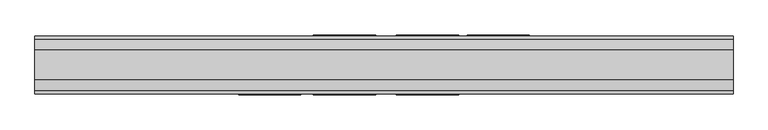
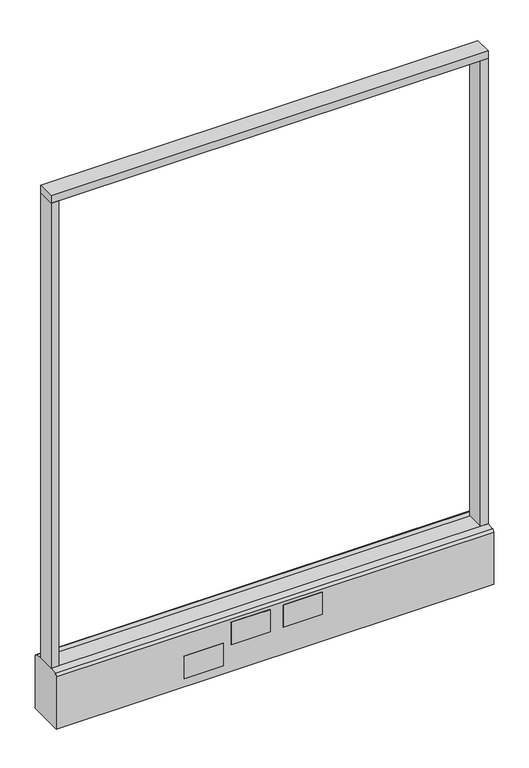
"""IFC4 building model written with IfcOpenShell, lengths in millimetres: furniture geometry."""

from ifc_helpers import new_model, si_unit, point, frame, frame_2d, origin, origin_with_axes, place, context, project, spatial, polyline, circle_curve, trimmed, segment, composite_curve, outline, extrude, source, transform, mapped, element, save


def furniture_0e82e836(model_context):
    return source(origin(), model_context, "Body", "SweptSolid", [
        extrude(outline(polyline([(533.4, -22.225), (-533.4, -22.225), (-533.4, 22.225), (533.4, 22.225), (533.4, -22.225)])), frame((0.0, 0.0, 1352.55), z_axis=(0.0, 0.0, 1.0), x_axis=(1.0, 0.0, 0.0)), (0.0, 0.0, 1.0), 19.05),
        extrude(outline(composite_curve([segment(trimmed(circle_curve(frame_2d((-457.2, 0.0)), 23.415625), [point((-480.615625, 0.0))], [point((-433.784375, 0.0))], False, "CARTESIAN"), True, "CONTINUOUS"), segment(trimmed(circle_curve(frame_2d((-457.2, 0.0)), 23.415625), [point((-433.784375, 0.0))], [point((-480.615625, 0.0))], False, "CARTESIAN"), True, "CONTINUOUS")], self_intersect=False)), origin_with_axes(), (0.0, 0.0, 1.0), 6.35),
        extrude(outline(composite_curve([segment(trimmed(circle_curve(frame_2d((457.2, 0.0)), 23.415625), [point((433.784375, 0.0))], [point((480.615625, 0.0))], False, "CARTESIAN"), True, "CONTINUOUS"), segment(trimmed(circle_curve(frame_2d((457.2, 0.0)), 23.415625), [point((480.615625, 0.0))], [point((433.784375, 0.0))], False, "CARTESIAN"), True, "CONTINUOUS")], self_intersect=False)), origin_with_axes(), (0.0, 0.0, 1.0), 6.35),
        extrude(outline(polyline([(-514.3500091, -22.225), (-533.4, -22.225), (-533.4, 22.225), (-514.3500091, 22.225), (-514.3500091, -22.225)])), frame((0.0, 0.0, 152.4), z_axis=(0.0, 0.0, 1.0), x_axis=(1.0, 0.0, 0.0)), (0.0, 0.0, 1.0), 1200.15),
        extrude(outline(polyline([(533.4, -22.225), (514.3500091, -22.225), (514.3500091, 22.225), (533.4, 22.225), (533.4, -22.225)])), frame((0.0, 0.0, 152.4), z_axis=(0.0, 0.0, 1.0), x_axis=(1.0, 0.0, 0.0)), (0.0, 0.0, 1.0), 1200.15),
        extrude(outline(composite_curve([segment(polyline([(-22.225, 152.4), (22.225, 152.4), (39.43219, 149.94183)]), True, "CONTINUOUS"), segment(trimmed(circle_curve(frame_2d((38.605678, 144.1562464)), 5.844322), [point((39.43219, 149.94183))], [point((44.45, 144.1562464))], False, "CARTESIAN"), True, "CONTINUOUS"), segment(polyline([(44.45, 144.1562464), (44.45, 9.525), (-44.4433083, 9.525), (-44.4433083, 144.1572033)]), True, "CONTINUOUS"), segment(trimmed(circle_curve(frame_2d((-38.5989863, 144.1572033)), 5.844322), [point((-44.4433083, 144.1572033))], [point((-39.4222979, 149.9432432))], False, "CARTESIAN"), True, "CONTINUOUS"), segment(polyline([(-39.4222979, 149.9432432), (-22.225, 152.4)]), True, "CONTINUOUS")], self_intersect=False)), frame((-533.4, 0.0, 0.0), z_axis=(1.0, 0.0, 0.0), x_axis=(0.0, 1.0, 0.0)), (0.0, 0.0, 1.0), 1066.8),
        extrude(outline(polyline([(222.25, 44.45), (127.0, 44.45), (127.0, 46.0375), (222.25, 46.0375), (222.25, 44.45)])), frame((0.0, 0.0, 31.75), z_axis=(0.0, 0.0, 1.0), x_axis=(1.0, 0.0, 0.0)), (0.0, 0.0, 1.0), 57.15),
        extrude(outline(polyline([(114.3, 44.45), (19.05, 44.45), (19.05, 46.0375), (114.3, 46.0375), (114.3, 44.45)])), frame((0.0, 0.0, 79.1718), z_axis=(0.0, 0.0, 1.0), x_axis=(1.0, 0.0, 0.0)), (0.0, 0.0, 1.0), 57.15),
        extrude(outline(polyline([(-12.7, 44.45), (-107.95, 44.45), (-107.95, 46.0375), (-12.7, 46.0375), (-12.7, 44.45)])), frame((0.0, 0.0, 79.1718), z_axis=(0.0, 0.0, 1.0), x_axis=(1.0, 0.0, 0.0)), (0.0, 0.0, 1.0), 57.15),
        extrude(outline(polyline([(-127.0, -46.0375), (-222.25, -46.0375), (-222.25, -44.45), (-127.0, -44.45), (-127.0, -46.0375)])), frame((0.0, 0.0, 31.75), z_axis=(0.0, 0.0, 1.0), x_axis=(1.0, 0.0, 0.0)), (0.0, 0.0, 1.0), 57.15),
        extrude(outline(polyline([(114.3, -46.0375), (19.05, -46.0375), (19.05, -44.45), (114.3, -44.45), (114.3, -46.0375)])), frame((0.0, 0.0, 79.1718), z_axis=(0.0, 0.0, 1.0), x_axis=(1.0, 0.0, 0.0)), (0.0, 0.0, 1.0), 57.15),
        extrude(outline(polyline([(-12.7, -46.0375), (-107.95, -46.0375), (-107.95, -44.45), (-12.7, -44.45), (-12.7, -46.0375)])), frame((0.0, 0.0, 79.1718), z_axis=(0.0, 0.0, 1.0), x_axis=(1.0, 0.0, 0.0)), (0.0, 0.0, 1.0), 57.15),
        extrude(outline(composite_curve([segment(trimmed(circle_curve(frame_2d((-457.2, 0.0)), 5.55625), [point((-462.75625, 0.0))], [point((-451.64375, 0.0))], False, "CARTESIAN"), True, "CONTINUOUS"), segment(trimmed(circle_curve(frame_2d((-457.2, 0.0)), 5.55625), [point((-451.64375, 0.0))], [point((-462.75625, 0.0))], False, "CARTESIAN"), True, "CONTINUOUS")], self_intersect=False)), frame((0.0, 0.0, 6.35), z_axis=(0.0, 0.0, 1.0), x_axis=(1.0, 0.0, 0.0)), (0.0, 0.0, 1.0), 3.175),
        extrude(outline(composite_curve([segment(trimmed(circle_curve(frame_2d((457.2, 0.0)), 5.55625), [point((451.64375, 0.0))], [point((462.75625, 0.0))], False, "CARTESIAN"), True, "CONTINUOUS"), segment(trimmed(circle_curve(frame_2d((457.2, 0.0)), 5.55625), [point((462.75625, 0.0))], [point((451.64375, 0.0))], False, "CARTESIAN"), True, "CONTINUOUS")], self_intersect=False)), frame((0.0, 0.0, 6.35), z_axis=(0.0, 0.0, 1.0), x_axis=(1.0, 0.0, 0.0)), (0.0, 0.0, 1.0), 3.175),
    ])


if __name__ == "__main__":
    model = new_model("IFC4")
    model_context = context("Model", 3, world=origin())
    ifc_project = project(units=[si_unit("LENGTHUNIT", "METRE", prefix="MILLI")], contexts=[model_context])
    site = spatial("IfcSite", under=ifc_project)
    building = spatial("IfcBuilding", under=site)
    placement = place(None, origin())
    furniture_shape = furniture_0e82e836(model_context)
    element("IfcFurniture", 1, at=placement, inside=building, context=model_context, shape_type="MappedRepresentation", body=[
        mapped(furniture_shape, transform((0.0, 0.0, 0.0), x_axis=(1.0, 0.0, 0.0), y_axis=(0.0, 1.0, 0.0), z_axis=(0.0, 0.0, 1.0))),
    ])
    save(model, "model.ifc")
